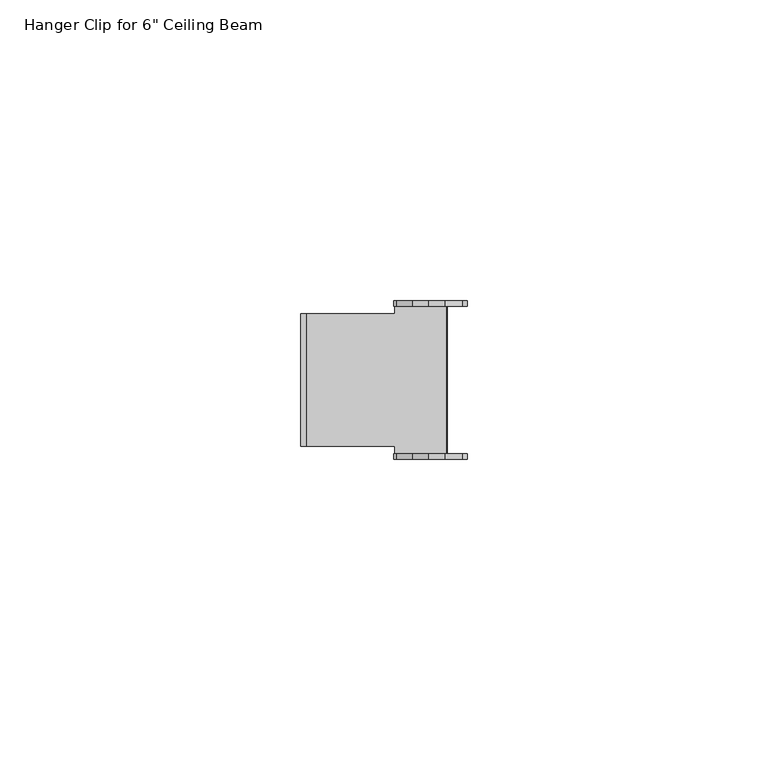
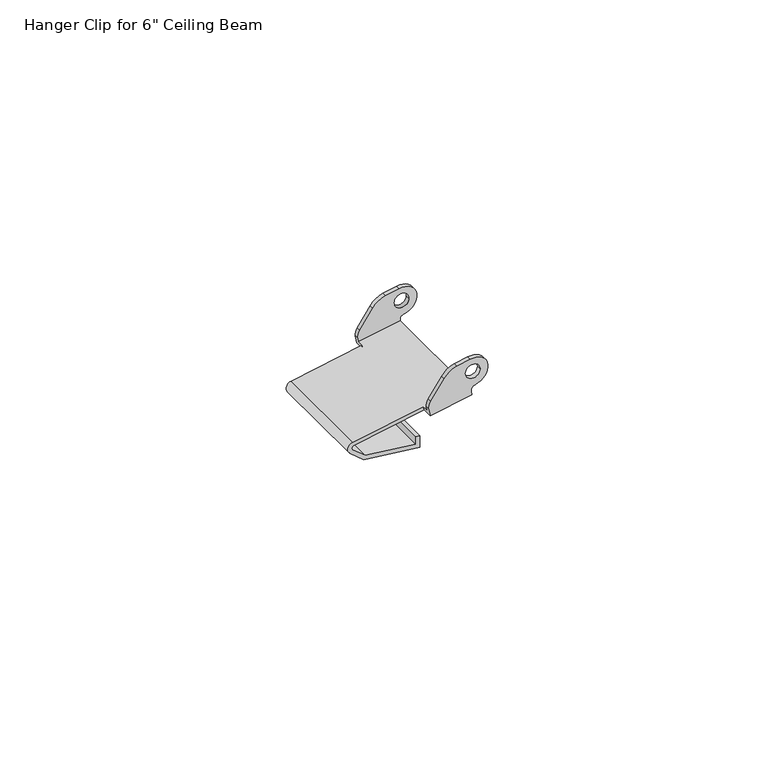
"""IFC4 building model written with IfcOpenShell, lengths in millimetres: proxy geometry."""

from ifc_helpers import new_model, si_unit, frame, origin, place, context, project, spatial, polyline, circle_curve, source, transform, mapped, element, save
from ifc_brep_helpers import plane_surface, cylinder_surface, revolved_surface, advanced_brep


def proxy_1967ac73(model_context):
    return source(origin(), model_context, "Body", "AdvancedBrep", [
        advanced_brep(
        [(21.2863514, 11.0, 153.4188859), (21.2863514, 12.245, 153.4188859), (21.1387707, 12.245, 154.215328), (21.1387707, 13.145, 154.215328), (21.433932, 13.145, 152.6224438), (21.433932, 11.0, 152.6224438), (30.0477112, 13.145, 154.2185762), (30.0477112, -13.145, 154.2185762), (21.433932, -13.145, 152.6224438), (21.433932, -11.0, 152.6224438), (6.8543441, -11.0, 149.9208477), (6.8543441, 11.0, 149.9208477), (29.9001306, 12.245, 155.0150183), (29.9001306, -12.245, 155.0150183), (29.8956427, -13.145, 155.0392378), (29.8956427, 13.145, 155.0392378), (6.7067635, 11.0, 150.7172898), (6.7067635, -11.0, 150.7172898), (21.2863514, -11.0, 153.4188859), (21.2863514, -12.245, 153.4188859), (28.1, -12.245, 154.6814543), (28.1, 12.245, 154.6814543), (21.1387707, -13.145, 154.215328), (21.1387707, -12.245, 154.215328), (26.876769, -12.245, 161.521481), (29.7042184, -12.245, 162.0454071), (32.6307721, -12.245, 161.2740625), (30.7177938, -12.245, 156.2083724), (21.6011324, -12.245, 155.8033022), (24.3004023, -12.245, 159.7304459), (28.7143228, -12.245, 159.2925485), (31.7143228, -12.245, 159.2925485), (26.876769, -13.145, 161.521481), (24.3004023, -13.145, 159.7304459), (21.6011324, -13.145, 155.8033022), (30.7177938, -13.145, 156.2083724), (32.6307721, -13.145, 161.2740625), (29.7042184, -13.145, 162.0454071), (28.7143228, -13.145, 159.2925485), (31.7143228, -13.145, 159.2925485), (6.1418282, -11.0, 148.5331882), (8.9964522, -11.0, 146.1798362), (20.5042149, -11.0, 144.8682511), (20.5261105, -11.0, 147.3663983), (19.7160793, -11.0, 147.3663983), (19.7021304, -11.0, 145.7749118), (9.3265669, -11.0, 146.9574558), (6.6570752, -11.0, 149.1581846), (6.6570752, 11.0, 149.1581846), (9.3265669, 11.0, 146.9574558), (19.7021304, 11.0, 145.7749118), (19.7160793, 11.0, 147.3663983), (20.5261105, 11.0, 147.3663983), (20.5042149, 11.0, 144.8682511), (8.9964522, 11.0, 146.1798362), (6.1418282, 11.0, 148.5331882), (26.876769, 12.245, 161.521481), (24.3004023, 12.245, 159.7304459), (21.6011324, 12.245, 155.8033022), (30.7177938, 12.245, 156.2083724), (32.6307721, 12.245, 161.2740625), (29.7042184, 12.245, 162.0454071), (28.7143228, 12.245, 159.2925485), (31.7143228, 12.245, 159.2925485), (26.876769, 13.145, 161.521481), (29.7042184, 13.145, 162.0454071), (32.6307721, 13.145, 161.2740625), (30.7177938, 13.145, 156.2083724), (21.6011324, 13.145, 155.8033022), (24.3004023, 13.145, 159.7304459), (28.7143228, 13.145, 159.2925485), (31.7143228, 13.145, 159.2925485)],
        [
            (0, 1),
            (1, 2),
            (2, 3),
            (3, 4),
            (4, 5),
            (5, 0),
            (4, 6),
            (6, 7),
            (7, 8),
            (8, 9),
            (9, 10),
            (10, 11),
            (11, 5),
            (12, 13),
            (13, 14),
            (14, 7),
            (6, 15),
            (15, 12),
            (0, 16),
            (16, 17),
            (17, 18),
            (18, 19),
            (19, 20),
            (20, 13),
            (12, 21),
            (21, 1),
            (18, 9),
            (8, 22),
            (22, 23),
            (23, 19),
            (24, 25),
            (25, 26, circle_curve(frame((30.3502464, -12.245, 158.5590157), z_axis=(0.0, 1.0, 0.0), x_axis=(0.6431732914476824, 0.0, 0.765720652175684)), 3.5457407)),
            (26, 27, circle_curve(frame((30.2143228, -12.245, 159.2925485), z_axis=(0.0, 1.0, 0.0), x_axis=(0.16111070983935105, 0.0, -0.9869363399809841)), 3.125)),
            (27, 13, circle_curve(frame((30.8789045, -12.245, 155.2214361), z_axis=(0.0, -1.0, 0.0), x_axis=(-0.9832618043766904, 0.0, -0.18219830969000506)), 1.0)),
            (23, 28, circle_curve(frame((23.7751837, -12.245, 154.308997), z_axis=(0.0, 1.0, 0.0), x_axis=(-0.8241047498588704, 0.0, 0.5664374292541489)), 2.6380764)),
            (28, 29),
            (29, 24, circle_curve(frame((27.9595515, -12.245, 157.2153784), z_axis=(0.0, 1.0, 0.0), x_axis=(-0.24386165076657326, 0.0, 0.9698100305139156)), 4.4401506)),
            (30, 31, circle_curve(frame((30.2143228, -12.245, 159.2925485), z_axis=(0.0, -1.0, 0.0), x_axis=(1.0, 0.0, 0.0)), 1.5)),
            (31, 30, circle_curve(frame((30.2143228, -12.245, 159.2925485), z_axis=(0.0, -1.0, 0.0), x_axis=(1.0, 0.0, 0.0)), 1.5)),
            (32, 33, circle_curve(frame((27.9595515, -13.145, 157.2153784), z_axis=(0.0, -1.0, 0.0), x_axis=(-0.24386165076657326, 0.0, 0.9698100305139156)), 4.4401506)),
            (33, 34),
            (34, 22, circle_curve(frame((23.7751837, -13.145, 154.308997), z_axis=(0.0, -1.0, 0.0), x_axis=(-0.8241047498588704, 0.0, 0.5664374292541489)), 2.6380764)),
            (14, 35, circle_curve(frame((30.8789045, -13.145, 155.2214361), z_axis=(0.0, 1.0, 0.0), x_axis=(-0.9832618043766904, 0.0, -0.18219830969000506)), 1.0)),
            (35, 36, circle_curve(frame((30.2143228, -13.145, 159.2925485), z_axis=(0.0, -1.0, 0.0), x_axis=(0.16111070983935105, 0.0, -0.9869363399809841)), 3.125)),
            (36, 37, circle_curve(frame((30.3502464, -13.145, 158.5590157), z_axis=(0.0, -1.0, 0.0), x_axis=(0.6431732914476824, 0.0, 0.765720652175684)), 3.5457407)),
            (37, 32),
            (38, 39, circle_curve(frame((30.2143228, -13.145, 159.2925485), z_axis=(0.0, 1.0, 0.0), x_axis=(1.0, 0.0, 0.0)), 1.5)),
            (39, 38, circle_curve(frame((30.2143228, -13.145, 159.2925485), z_axis=(0.0, 1.0, 0.0), x_axis=(1.0, 0.0, 0.0)), 1.5)),
            (29, 33),
            (32, 24),
            (28, 34),
            (27, 35),
            (26, 36),
            (25, 37),
            (31, 39),
            (38, 30),
            (17, 40, circle_curve(frame((6.9335275, -11.0, 149.4935222), z_axis=(0.0, -1.0, 0.0), x_axis=(-0.18219830968981438, 0.0, 0.9832618043767258)), 1.2446)),
            (40, 41),
            (41, 42),
            (42, 43),
            (43, 44),
            (44, 45),
            (45, 46),
            (46, 47),
            (47, 10, circle_curve(frame((6.9335275, -11.0, 149.4935222), z_axis=(0.0, 1.0, 0.0), x_axis=(-0.636107425399565, 0.0, -0.7716005076148778)), 0.4346)),
            (11, 48, circle_curve(frame((6.9335275, 11.0, 149.4935222), z_axis=(0.0, -1.0, 0.0), x_axis=(-0.636107425399565, 0.0, -0.7716005076148778)), 0.4346)),
            (48, 49),
            (49, 50),
            (50, 51),
            (51, 52),
            (52, 53),
            (53, 54),
            (54, 55),
            (55, 16, circle_curve(frame((6.9335275, 11.0, 149.4935222), z_axis=(0.0, 1.0, 0.0), x_axis=(-0.18219830968981438, 0.0, 0.9832618043767258)), 1.2446)),
            (55, 40),
            (54, 41),
            (53, 42),
            (52, 43),
            (51, 44),
            (50, 45),
            (49, 46),
            (48, 47),
            (56, 57, circle_curve(frame((27.9595515, 12.245, 157.2153784), z_axis=(0.0, -1.0, 0.0), x_axis=(-0.24386165076657326, 0.0, 0.9698100305139156)), 4.4401506)),
            (57, 58),
            (58, 2, circle_curve(frame((23.7751837, 12.245, 154.308997), z_axis=(0.0, -1.0, 0.0), x_axis=(-0.8241047498588704, 0.0, 0.5664374292541489)), 2.6380764)),
            (12, 59, circle_curve(frame((30.8789045, 12.245, 155.2214361), z_axis=(0.0, 1.0, 0.0), x_axis=(-0.9832618043766904, 0.0, -0.18219830969000506)), 1.0)),
            (59, 60, circle_curve(frame((30.2143228, 12.245, 159.2925485), z_axis=(0.0, -1.0, 0.0), x_axis=(0.16111070983935105, 0.0, -0.9869363399809841)), 3.125)),
            (60, 61, circle_curve(frame((30.3502464, 12.245, 158.5590157), z_axis=(0.0, -1.0, 0.0), x_axis=(0.6431732914476824, 0.0, 0.765720652175684)), 3.5457407)),
            (61, 56),
            (62, 63, circle_curve(frame((30.2143228, 12.245, 159.2925485), z_axis=(0.0, 1.0, 0.0), x_axis=(1.0, 0.0, 0.0)), 1.5)),
            (63, 62, circle_curve(frame((30.2143228, 12.245, 159.2925485), z_axis=(0.0, 1.0, 0.0), x_axis=(1.0, 0.0, 0.0)), 1.5)),
            (64, 65),
            (65, 66, circle_curve(frame((30.3502464, 13.145, 158.5590157), z_axis=(0.0, 1.0, 0.0), x_axis=(0.6431732914476824, 0.0, 0.765720652175684)), 3.5457407)),
            (66, 67, circle_curve(frame((30.2143228, 13.145, 159.2925485), z_axis=(0.0, 1.0, 0.0), x_axis=(0.16111070983935105, 0.0, -0.9869363399809841)), 3.125)),
            (67, 15, circle_curve(frame((30.8789045, 13.145, 155.2214361), z_axis=(0.0, -1.0, 0.0), x_axis=(-0.9832618043766904, 0.0, -0.18219830969000506)), 1.0)),
            (3, 68, circle_curve(frame((23.7751837, 13.145, 154.308997), z_axis=(0.0, 1.0, 0.0), x_axis=(-0.8241047498588704, 0.0, 0.5664374292541489)), 2.6380764)),
            (68, 69),
            (69, 64, circle_curve(frame((27.9595515, 13.145, 157.2153784), z_axis=(0.0, 1.0, 0.0), x_axis=(-0.24386165076657326, 0.0, 0.9698100305139156)), 4.4401506)),
            (70, 71, circle_curve(frame((30.2143228, 13.145, 159.2925485), z_axis=(0.0, -1.0, 0.0), x_axis=(1.0, 0.0, 0.0)), 1.5)),
            (71, 70, circle_curve(frame((30.2143228, 13.145, 159.2925485), z_axis=(0.0, -1.0, 0.0), x_axis=(1.0, 0.0, 0.0)), 1.5)),
            (56, 64),
            (69, 57),
            (68, 58),
            (67, 59),
            (66, 60),
            (65, 61),
            (62, 70),
            (71, 63),
        ],
        [
            plane_surface(frame((21.2863514, 11.0, 153.4188859), z_axis=(-0.9832618043767257, 0.0, -0.1821983096898148), x_axis=(0.0, 1.0, 0.0))),
            plane_surface(frame((21.433932, 11.0, 152.6224438), z_axis=(0.1821983096898155, 0.0, -0.9832618043767256), x_axis=(0.0, 1.0, 0.0))),
            plane_surface(frame((30.0477112, 11.0, 154.2185762), z_axis=(0.9832618043766893, 0.0, 0.1821983096900115), x_axis=(0.0, 1.0, 0.0))),
            plane_surface(frame((29.9001306, 11.0, 155.0150183), z_axis=(-0.18219830968981637, 0.0, 0.9832618043767254), x_axis=(0.0, 1.0, 0.0))),
            plane_surface(frame((21.433932, -11.0, 152.6224438), z_axis=(-0.9832618043767257, 0.0, -0.18219830968981504), x_axis=(0.0, -1.0, 0.0))),
            plane_surface(frame((29.7042184, -12.245, 162.0454071), z_axis=(0.0, 1.0000000000000002, 0.0), x_axis=(0.983261804376724, 0.0, 0.18219830968982445))),
            plane_surface(frame((29.7042184, -13.145, 162.0454071), z_axis=(0.0, -1.0000000000000002, 0.0), x_axis=(-0.983261804376724, 0.0, -0.18219830968982445))),
            cylinder_surface(frame((27.9595515, -13.145, 157.2153784), z_axis=(0.0, 1.0, 0.0), x_axis=(-0.24386165076657326, 0.0, 0.9698100305139156)), 4.4401506),
            plane_surface(frame((21.6011324, -12.245, 155.8033022), z_axis=(-0.8241047498588712, 0.0, 0.5664374292541475), x_axis=(0.0, -1.0, 0.0))),
            cylinder_surface(frame((23.7751837, -13.145, 154.308997), z_axis=(0.0, 1.0000000000000002, 0.0), x_axis=(-0.8241047498588704, 0.0, 0.5664374292541489)), 2.6380764),
            revolved_surface(polyline([(29.89564269562331, -13.145, 155.03923779031), (29.89564269562331, -12.245, 155.03923779031)]), (30.8789045, -13.145, 155.2214361), (0.0, -1.0, 0.0)),
            cylinder_surface(frame((30.2143228, -13.145, 159.2925485), z_axis=(0.0, 1.0000000000000002, 0.0), x_axis=(0.16111070983935105, 0.0, -0.9869363399809841)), 3.125),
            cylinder_surface(frame((30.3502464, -13.145, 158.5590157), z_axis=(0.0, 1.0000000000000002, 0.0), x_axis=(0.6431732914476824, 0.0, 0.765720652175684)), 3.5457407),
            plane_surface(frame((26.876769, -12.245, 161.521481), z_axis=(-0.18219830968982445, 0.0, 0.983261804376724), x_axis=(0.0, -1.0, 0.0))),
            revolved_surface(polyline([(31.7143228, -13.145, 159.2925485), (31.7143228, -12.245000000000001, 159.2925485)]), (30.2143228, 1.255, 159.2925485), (0.0, -1.0, 0.0)),
            plane_surface(frame((30.0477112, -11.0, 154.2185762), z_axis=(0.0, -1.0000000000000002, 0.0), x_axis=(-0.18219830969000608, 0.0, 0.9832618043766903))),
            plane_surface(frame((30.0477112, 11.0, 154.2185762), z_axis=(0.0, 1.0000000000000002, 0.0), x_axis=(0.18219830969000608, 0.0, -0.9832618043766903))),
            cylinder_surface(frame((6.9335275, 11.0, 149.4935222), z_axis=(0.0, -1.0000000000000002, 0.0), x_axis=(-0.18219830968981438, 0.0, 0.9832618043767258)), 1.2446),
            plane_surface(frame((6.1418282, -11.0, 148.5331882), z_axis=(-0.6361074253995633, 0.0, -0.7716005076148791), x_axis=(0.0, 1.0, 0.0))),
            plane_surface(frame((8.9964522, -11.0, 146.1798362), z_axis=(-0.11324081984959736, 0.0, -0.9935675702838691), x_axis=(0.0, 1.0, 0.0))),
            plane_surface(frame((20.5042149, -11.0, 144.8682511), z_axis=(0.9999615920532106, 0.0, -0.008764383515604839), x_axis=(0.0, 1.0, 0.0))),
            plane_surface(frame((20.5261105, -11.0, 147.3663983), z_axis=(0.0, 0.0, 1.0), x_axis=(0.0, 1.0, 0.0))),
            plane_surface(frame((19.7160793, -11.0, 147.3663983), z_axis=(-0.9999615920532106, 0.0, 0.008764383515604759), x_axis=(0.0, 1.0, 0.0))),
            plane_surface(frame((19.7021304, -11.0, 145.7749118), z_axis=(0.11324081984959784, 0.0, 0.993567570283869), x_axis=(0.0, 1.0, 0.0))),
            plane_surface(frame((9.3265669, -11.0, 146.9574558), z_axis=(0.6361074253995633, 0.0, 0.7716005076148791), x_axis=(0.0, 1.0, 0.0))),
            revolved_surface(polyline([(6.65707521292135, 11.0, 149.15818461939057), (6.65707521292135, -11.000000000000007, 149.15818461939057)]), (6.9335275, 11.0, 149.4935222), (0.0, 1.0000000000000002, 0.0)),
            plane_surface(frame((26.876769, 12.245, 161.521481), z_axis=(0.0, -1.0, 0.0), x_axis=(-0.9698100305139156, 0.0, -0.24386165076657326))),
            plane_surface(frame((26.876769, 13.145, 161.521481), z_axis=(0.0, 1.0, 0.0), x_axis=(0.9698100305139156, 0.0, 0.24386165076657326))),
            cylinder_surface(frame((27.9595515, 13.145, 157.2153784), z_axis=(0.0, -1.0, 0.0), x_axis=(-0.24386165076657326, 0.0, 0.9698100305139156)), 4.4401506),
            plane_surface(frame((24.3004023, 12.245, 159.7304459), z_axis=(-0.8241047498588712, 0.0, 0.5664374292541475), x_axis=(0.0, 1.0, 0.0))),
            cylinder_surface(frame((23.7751837, 13.145, 154.308997), z_axis=(0.0, -1.0000000000000002, 0.0), x_axis=(-0.8241047498588704, 0.0, 0.5664374292541489)), 2.6380764),
            revolved_surface(polyline([(29.89564269562331, 13.145, 155.03923779031), (29.89564269562331, 12.245, 155.03923779031)]), (30.8789045, 13.145, 155.2214361), (0.0, 1.0, 0.0)),
            cylinder_surface(frame((30.2143228, 13.145, 159.2925485), z_axis=(0.0, -1.0000000000000002, 0.0), x_axis=(0.16111070983935105, 0.0, -0.9869363399809841)), 3.125),
            cylinder_surface(frame((30.3502464, 13.145, 158.5590157), z_axis=(0.0, -1.0000000000000002, 0.0), x_axis=(0.6431732914476824, 0.0, 0.765720652175684)), 3.5457407),
            plane_surface(frame((29.7042184, 12.245, 162.0454071), z_axis=(-0.18219830968982445, 0.0, 0.983261804376724), x_axis=(0.0, 1.0, 0.0))),
            revolved_surface(polyline([(31.7143228, 13.145, 159.2925485), (31.7143228, 12.245000000000001, 159.2925485)]), (30.2143228, -1.255, 159.2925485), (0.0, 1.0, 0.0)),
        ],
        [
            (0, [[1, 2, 3, 4, 5, 6]]),
            (1, [[-5, 7, 8, 9, 10, 11, 12, 13]]),
            (2, [[14, 15, 16, -8, 17, 18]]),
            (3, [[-1, 19, 20, 21, 22, 23, 24, -14, 25, 26]]),
            (4, [[-22, 27, -10, 28, 29, 30]]),
            (5, [[31, 32, 33, 34, -24, -23, -30, 35, 36, 37], [38, 39]]),
            (6, [[40, 41, 42, -28, -9, -16, 43, 44, 45, 46], [47, 48]]),
            (7, [[-37, 49, -40, 50]]),
            (8, [[-36, 51, -41, -49]]),
            (9, [[-35, -29, -42, -51]]),
            (10, [[-34, 52, -43, -15]]),
            (11, [[-33, 53, -44, -52]]),
            (12, [[-32, 54, -45, -53]]),
            (13, [[-31, -50, -46, -54]]),
            (14, [[-39, 55, -47, 56]]),
            (14, [[-38, -56, -48, -55]]),
            (15, [[57, 58, 59, 60, 61, 62, 63, 64, 65, -11, -27, -21]]),
            (16, [[66, 67, 68, 69, 70, 71, 72, 73, 74, -19, -6, -13]]),
            (17, [[-57, -20, -74, 75]]),
            (18, [[-58, -75, -73, 76]]),
            (19, [[-59, -76, -72, 77]]),
            (20, [[-60, -77, -71, 78]]),
            (21, [[-61, -78, -70, 79]]),
            (22, [[-62, -79, -69, 80]]),
            (23, [[-63, -80, -68, 81]]),
            (24, [[-64, -81, -67, 82]]),
            (25, [[-65, -82, -66, -12]]),
            (26, [[83, 84, 85, -2, -26, -25, 86, 87, 88, 89], [90, 91]]),
            (27, [[92, 93, 94, 95, -17, -7, -4, 96, 97, 98], [99, 100]]),
            (28, [[-83, 101, -98, 102]]),
            (29, [[-84, -102, -97, 103]]),
            (30, [[-85, -103, -96, -3]]),
            (31, [[-86, -18, -95, 104]]),
            (32, [[-87, -104, -94, 105]]),
            (33, [[-88, -105, -93, 106]]),
            (34, [[-89, -106, -92, -101]]),
            (35, [[-90, 107, -100, 108]]),
            (35, [[-91, -108, -99, -107]]),
        ],
    ),
    ])


if __name__ == "__main__":
    model = new_model("IFC4")
    model_context = context("Model", 3, world=origin())
    ifc_project = project(units=[si_unit("LENGTHUNIT", "METRE", prefix="MILLI")], contexts=[model_context])
    site = spatial("IfcSite", under=ifc_project)
    building = spatial("IfcBuilding", under=site)
    placement = place(None, origin())
    proxy_shape = proxy_1967ac73(model_context)
    element("IfcBuildingElementProxy", 1, Name="Hanger Clip for 6\" Ceiling Beam", ObjectType="Hanger Clip for 6\" Ceiling Beam", at=placement, inside=building, context=model_context, shape_type="MappedRepresentation", body=[
        mapped(proxy_shape, transform((0.0, 0.0, 0.0), x_axis=(1.0, 0.0, 0.0), y_axis=(0.0, 1.0, 0.0), z_axis=(0.0, 0.0, 1.0))),
    ])
    save(model, "model.ifc")
